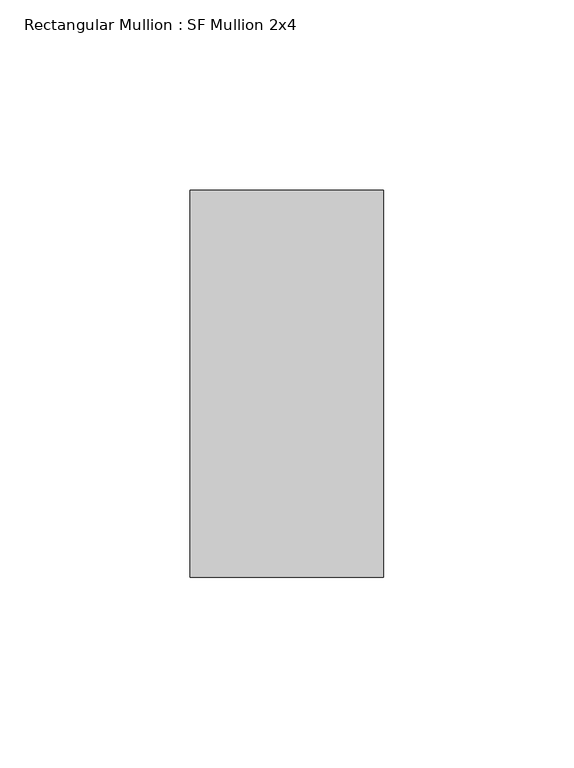
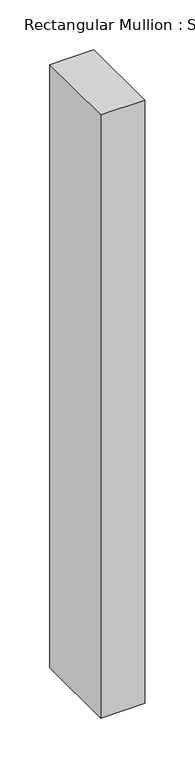
"""IFC4 building model written with IfcOpenShell, lengths in millimetres: member geometry, Rectangular Mullion : SF Mullion 2x4."""

from ifc_helpers import new_model, si_unit, frame, origin, place, context, project, spatial, polyline, outline, extrude, source, transform, mapped, element, save


def rectangular_mullion_sf_mullion_2x4_e5acb4fd(model_context):
    return source(origin(), model_context, "Body", "SweptSolid", [
        extrude(outline(polyline([(0.0, 50.8), (0.0, -50.8), (-50.8, -50.8), (-50.8, 50.8), (0.0, 50.8)])), frame((0.0, 0.0, -736.6), z_axis=(0.0, 0.0, 1.0), x_axis=(1.0, 0.0, 0.0)), (0.0, 0.0, 1.0), 736.6),
    ])


if __name__ == "__main__":
    model = new_model("IFC4")
    model_context = context("Model", 3, world=origin())
    ifc_project = project(units=[si_unit("LENGTHUNIT", "METRE", prefix="MILLI")], contexts=[model_context])
    site = spatial("IfcSite", under=ifc_project)
    building = spatial("IfcBuilding", under=site)
    placement = place(None, origin())
    rectangular_mullion_sf_mullion_2x4_shape = rectangular_mullion_sf_mullion_2x4_e5acb4fd(model_context)
    element("IfcMember", 1, ObjectType="Rectangular Mullion : SF Mullion 2x4", at=placement, inside=building, context=model_context, shape_type="MappedRepresentation", body=[
        mapped(rectangular_mullion_sf_mullion_2x4_shape, transform((0.0, 0.0, 0.0), x_axis=(1.0, 0.0, 0.0), y_axis=(0.0, 1.0, 0.0), z_axis=(0.0, 0.0, 1.0))),
    ])
    save(model, "model.ifc")
